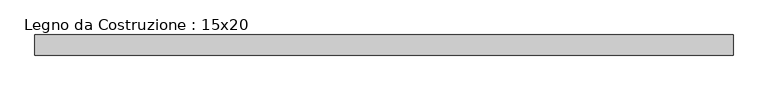
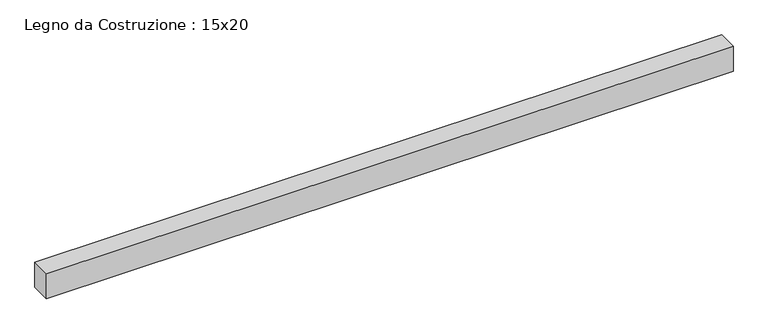
"""IFC4 building model written with IfcOpenShell, lengths in millimetres: beam geometry, Legno da Costruzione : 15x20."""

from ifc_helpers import new_model, si_unit, frame, origin, place, context, project, spatial, polyline, outline, extrude, source, transform, mapped, element, save


def legno_da_costruzione_15x20_740fbd70(model_context):
    return source(origin(), model_context, "Body", "SweptSolid", [
        extrude(outline(polyline([(2696.0, 75.0), (2696.0, -75.0), (-2507.0, -75.0), (-2507.0, 75.0), (2696.0, 75.0)])), frame((0.0, 0.0, -100.0), z_axis=(0.0, 0.0, 1.0), x_axis=(1.0, 0.0, 0.0)), (0.0, 0.0, 1.0), 200.0),
    ])


if __name__ == "__main__":
    model = new_model("IFC4")
    model_context = context("Model", 3, world=origin())
    ifc_project = project(units=[si_unit("LENGTHUNIT", "METRE", prefix="MILLI")], contexts=[model_context])
    site = spatial("IfcSite", under=ifc_project)
    building = spatial("IfcBuilding", under=site)
    placement = place(None, origin())
    legno_da_costruzione_15x20_shape = legno_da_costruzione_15x20_740fbd70(model_context)
    element("IfcBeam", 1, ObjectType="Legno da Costruzione : 15x20", at=placement, inside=building, context=model_context, shape_type="MappedRepresentation", body=[
        mapped(legno_da_costruzione_15x20_shape, transform((0.0, 0.0, 0.0), x_axis=(1.0, 0.0, 0.0), y_axis=(0.0, 1.0, 0.0), z_axis=(0.0, 0.0, 1.0))),
    ])
    save(model, "model.ifc")
